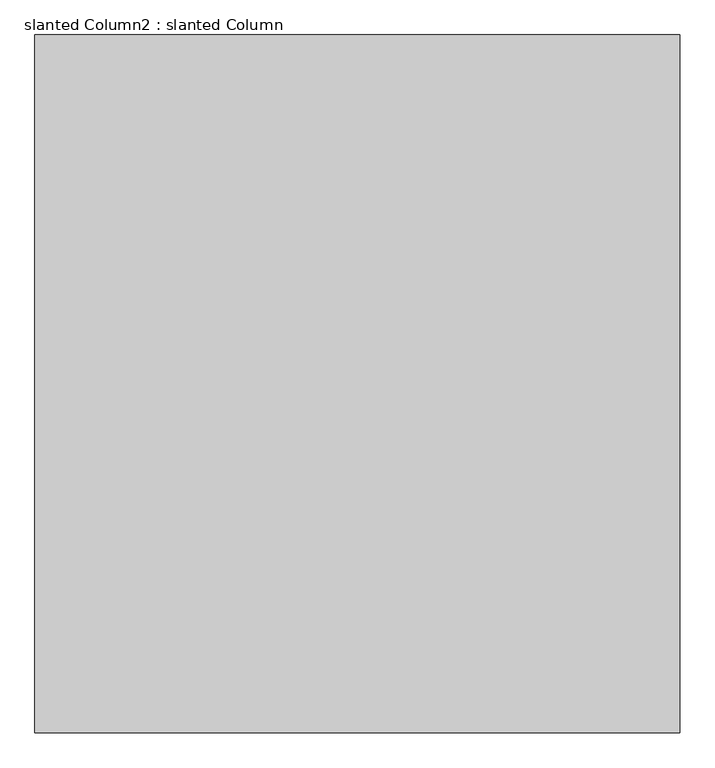
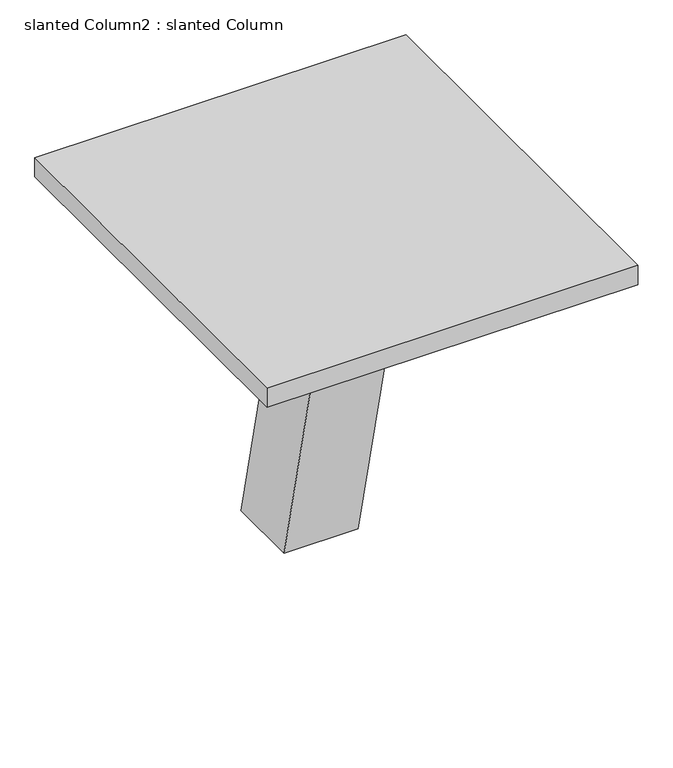
"""IFC4 building model written with IfcOpenShell, lengths in millimetres: column geometry, slanted Column2 : slanted Column."""

from ifc_helpers import new_model, si_unit, frame, origin, place, context, project, spatial, polyline, outline, extrude, source, transform, mapped, element, save


def slanted_column2_slanted_column_44349512(model_context):
    return source(origin(), model_context, "Body", "SweptSolid", [
        extrude(outline(polyline([(12642.85, 37482.6405721), (12642.85, 34182.8031902), (9594.85, 34182.8031902), (9594.85, 37482.6405721), (12642.85, 37482.6405721)])), frame((0.0, 0.0, 2825.75), z_axis=(0.0, 0.0, 1.0), x_axis=(1.0, 0.0, 0.0)), (0.0, 0.0, 1.0), 165.1),
        extrude(outline(polyline([(36659.3148921, 0.0), (36049.7148921, 0.0), (35402.0031902, 2825.75), (36011.6031902, 2825.75), (36659.3148921, 0.0)])), frame((10814.05, 0.0, 0.0), z_axis=(1.0, 0.0, 0.0), x_axis=(0.0, 1.0, 0.0)), (0.0, 0.0, 1.0), 609.6),
    ])


if __name__ == "__main__":
    model = new_model("IFC4")
    model_context = context("Model", 3, world=origin())
    ifc_project = project(units=[si_unit("LENGTHUNIT", "METRE", prefix="MILLI")], contexts=[model_context])
    site = spatial("IfcSite", under=ifc_project)
    building = spatial("IfcBuilding", under=site)
    placement = place(None, origin())
    slanted_column2_slanted_column_shape = slanted_column2_slanted_column_44349512(model_context)
    element("IfcColumn", 1, ObjectType="slanted Column2 : slanted Column", at=placement, inside=building, context=model_context, shape_type="MappedRepresentation", body=[
        mapped(slanted_column2_slanted_column_shape, transform((0.0, 0.0, 0.0), x_axis=(1.0, 0.0, 0.0), y_axis=(0.0, 1.0, 0.0), z_axis=(0.0, 0.0, 1.0))),
    ])
    save(model, "model.ifc")
